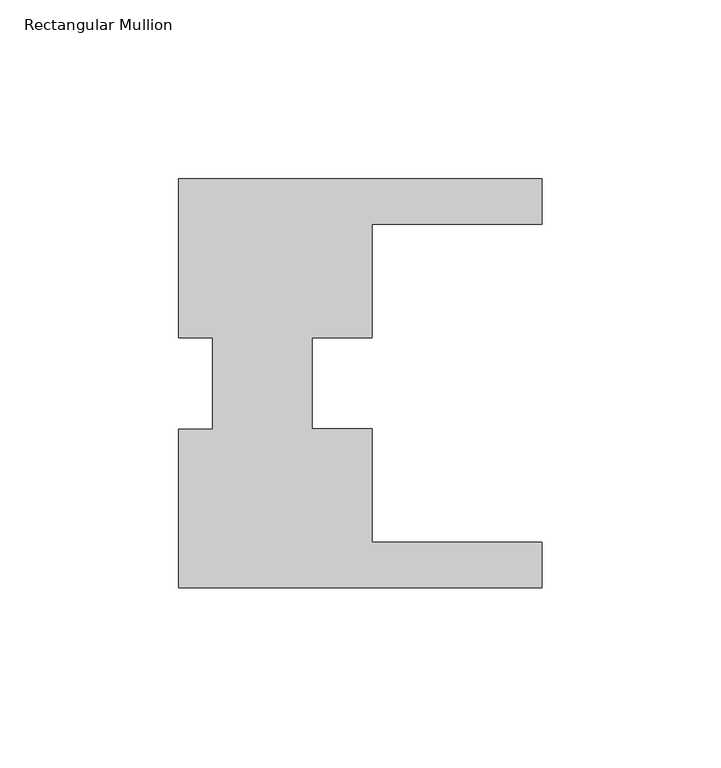
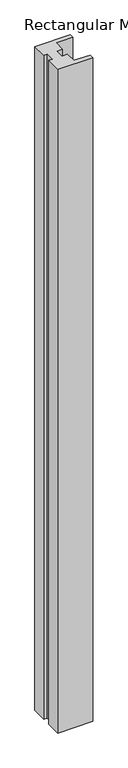
"""IFC4 building model written with IfcOpenShell, lengths in millimetres: member geometry, Rectangular Mullion."""

from ifc_helpers import new_model, si_unit, frame, origin, place, context, project, spatial, polyline, outline, extrude, source, transform, mapped, element, save


def rectangular_mullion_ca9cfa33(model_context):
    return source(origin(), model_context, "Body", "SweptSolid", [
        extrude(outline(polyline([(0.0, -57.1388465), (-101.6, -57.1388465), (-101.6, -12.7438492), (-92.075, -12.7438492), (-92.075, 12.7438492), (-101.6, 12.7438492), (-101.6, 57.1611535), (0.0, 57.1611535), (0.0, 44.461217), (-47.625, 44.461217), (-47.625, 12.71109), (-64.29375, 12.71109), (-64.29375, -12.688783), (-47.625, -12.688783), (-47.625, -44.438783), (0.0, -44.438783), (0.0, -57.1388465)])), frame((0.0, 0.0, -2032.0), z_axis=(0.0, 0.0, 1.0), x_axis=(1.0, 0.0, 0.0)), (0.0, 0.0, 1.0), 2032.0),
    ])


if __name__ == "__main__":
    model = new_model("IFC4")
    model_context = context("Model", 3, world=origin())
    ifc_project = project(units=[si_unit("LENGTHUNIT", "METRE", prefix="MILLI")], contexts=[model_context])
    site = spatial("IfcSite", under=ifc_project)
    building = spatial("IfcBuilding", under=site)
    placement = place(None, origin())
    rectangular_mullion_shape = rectangular_mullion_ca9cfa33(model_context)
    element("IfcMember", 1, ObjectType="Rectangular Mullion", at=placement, inside=building, context=model_context, shape_type="MappedRepresentation", body=[
        mapped(rectangular_mullion_shape, transform((0.0, 0.0, 0.0), x_axis=(1.0, 0.0, 0.0), y_axis=(0.0, 1.0, 0.0), z_axis=(0.0, 0.0, 1.0))),
    ])
    save(model, "model.ifc")
